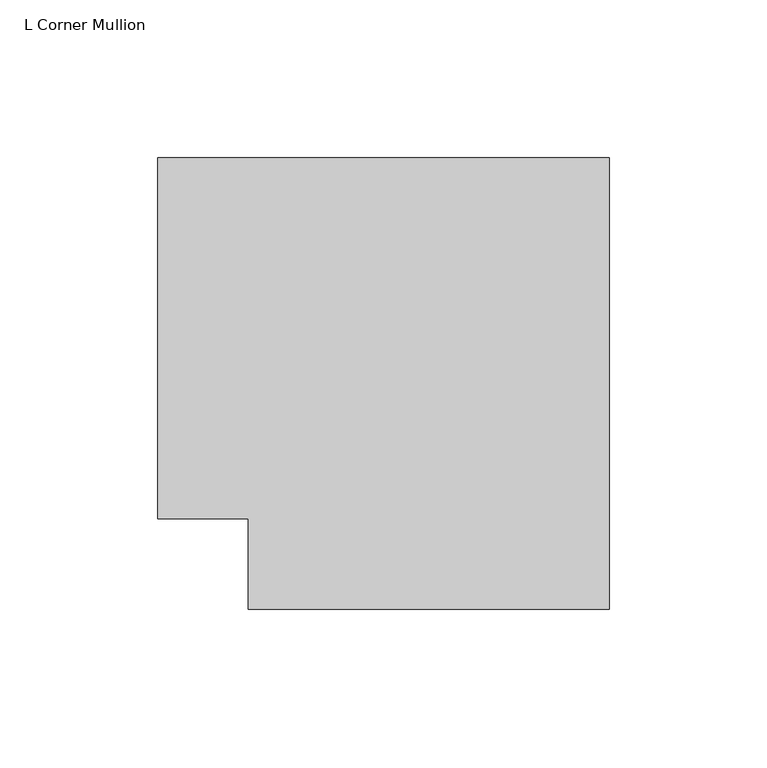
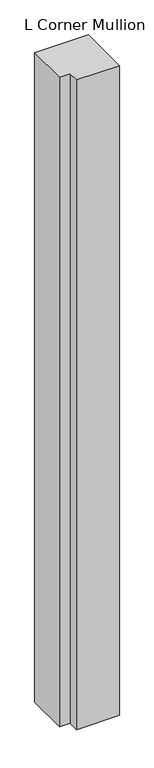
"""IFC4 building model written with IfcOpenShell, lengths in millimetres: member geometry, L Corner Mullion."""

from ifc_helpers import new_model, si_unit, frame, origin, place, context, project, spatial, polyline, outline, extrude, source, transform, mapped, element, save


def l_corner_mullion_0d218289(model_context):
    return source(origin(), model_context, "Body", "SweptSolid", [
        extrude(outline(polyline([(-57.15, -85.725), (-57.15, -57.15), (-85.725, -57.15), (-85.725, 57.15), (57.15, 57.15), (57.15, -85.725), (-57.15, -85.725)])), frame((0.0, 0.0, -1828.8), z_axis=(0.0, 0.0, 1.0), x_axis=(1.0, 0.0, 0.0)), (0.0, 0.0, 1.0), 1828.8),
    ])


if __name__ == "__main__":
    model = new_model("IFC4")
    model_context = context("Model", 3, world=origin())
    ifc_project = project(units=[si_unit("LENGTHUNIT", "METRE", prefix="MILLI")], contexts=[model_context])
    site = spatial("IfcSite", under=ifc_project)
    building = spatial("IfcBuilding", under=site)
    placement = place(None, origin())
    l_corner_mullion_shape = l_corner_mullion_0d218289(model_context)
    element("IfcMember", 1, ObjectType="L Corner Mullion", at=placement, inside=building, context=model_context, shape_type="MappedRepresentation", body=[
        mapped(l_corner_mullion_shape, transform((0.0, 0.0, 0.0), x_axis=(1.0, 0.0, 0.0), y_axis=(0.0, 1.0, 0.0), z_axis=(0.0, 0.0, 1.0))),
    ])
    save(model, "model.ifc")
